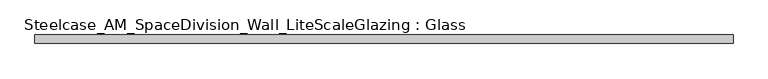
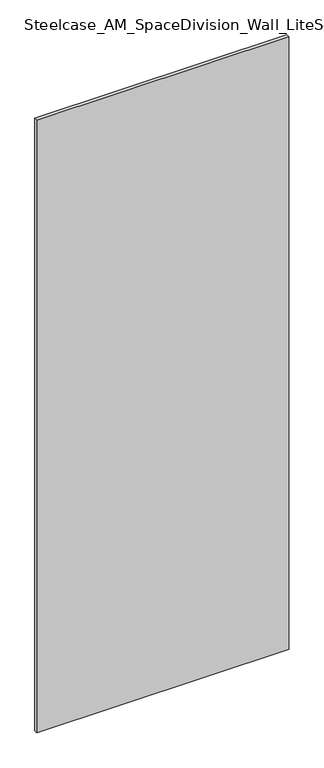
"""IFC4 building model written with IfcOpenShell, lengths in millimetres: plate geometry, Steelcase_AM_SpaceDivision_Wall_LiteScaleGlazing : Glass."""

from ifc_helpers import new_model, si_unit, origin, origin_with_axes, place, context, project, spatial, polyline, outline, extrude, source, transform, mapped, element, save


def steelcase_am_spacedivision_wall_litescaleglazing_glass_3745bca8(model_context):
    return source(origin(), model_context, "Body", "SweptSolid", [
        extrude(outline(polyline([(-518.5498169, -6.349956), (-518.5498169, 6.3502015), (518.5498169, 6.3502015), (518.5498169, -6.349956), (-518.5498169, -6.349956)])), origin_with_axes(), (0.0, 0.0, 1.0), 2665.984),
    ])


if __name__ == "__main__":
    model = new_model("IFC4")
    model_context = context("Model", 3, world=origin())
    ifc_project = project(units=[si_unit("LENGTHUNIT", "METRE", prefix="MILLI")], contexts=[model_context])
    site = spatial("IfcSite", under=ifc_project)
    building = spatial("IfcBuilding", under=site)
    placement = place(None, origin())
    steelcase_am_spacedivision_wall_litescaleglazing_glass_shape = steelcase_am_spacedivision_wall_litescaleglazing_glass_3745bca8(model_context)
    element("IfcPlate", 1, ObjectType="Steelcase_AM_SpaceDivision_Wall_LiteScaleGlazing : Glass", at=placement, inside=building, context=model_context, shape_type="MappedRepresentation", body=[
        mapped(steelcase_am_spacedivision_wall_litescaleglazing_glass_shape, transform((0.0, 0.0, 0.0), x_axis=(1.0, 0.0, 0.0), y_axis=(0.0, 1.0, 0.0), z_axis=(0.0, 0.0, 1.0))),
    ])
    save(model, "model.ifc")
